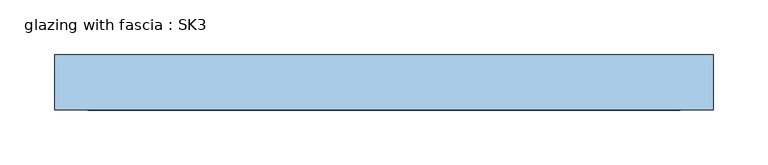
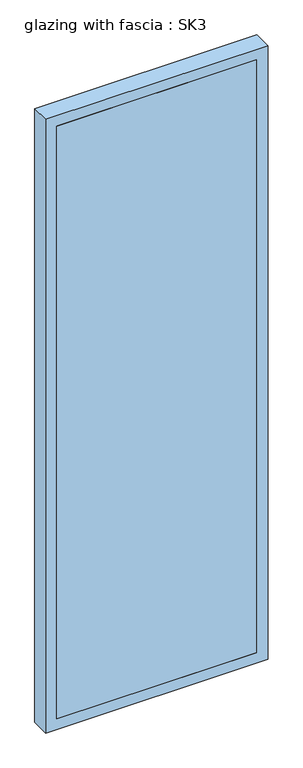
"""IFC4 building model written with IfcOpenShell, lengths in millimetres: window geometry, glazing with fascia : SK3."""

from ifc_helpers import new_model, si_unit, frame, origin, place, context, project, spatial, polyline, outline, extrude, source, transform, mapped, element, save


def glazing_with_fascia_sk3_424235fc(model_context):
    return source(origin(), model_context, "Body", "SweptSolid", [
        extrude(outline(polyline([(270.0, 0.1334055), (-270.0, 0.1334055), (-270.0, 8.1334055), (270.0, 8.1334055), (270.0, 0.1334055)])), frame((0.0, 0.0, 30.0), z_axis=(0.0, 0.0, 1.0), x_axis=(1.0, 0.0, 0.0)), (0.0, 0.0, 1.0), 1690.0),
        extrude(outline(polyline([(1750.0, -300.0), (0.0, -300.0), (0.0, 300.0), (1750.0, 300.0), (1750.0, -300.0)]), holes=[polyline([(1720.0, -270.0), (1720.0, 270.0), (30.0, 270.0), (30.0, -270.0), (1720.0, -270.0)])]), frame((0.0, 0.0, 0.0), z_axis=(0.0, 1.0, 0.0), x_axis=(0.0, 0.0, 1.0)), (0.0, 0.0, 1.0), 50.0),
        extrude(outline(polyline([(-270.0, 48.1334055), (270.0, 48.1334055), (270.0, 8.1334055), (-270.0, 8.1334055), (-270.0, 48.1334055)])), frame((0.0, 0.0, 1580.4), z_axis=(0.0, 0.0, 1.0), x_axis=(1.0, 0.0, 0.0)), (0.0, 0.0, 1.0), 30.0),
        extrude(outline(polyline([(-270.0, 48.1334055), (270.0, 48.1334055), (270.0, 8.1334055), (-270.0, 8.1334055), (-270.0, 48.1334055)])), frame((0.0, 0.0, 1490.4), z_axis=(0.0, 0.0, 1.0), x_axis=(1.0, 0.0, 0.0)), (0.0, 0.0, 1.0), 30.0),
        extrude(outline(polyline([(-270.0, 48.1334055), (270.0, 48.1334055), (270.0, 8.1334055), (-270.0, 8.1334055), (-270.0, 48.1334055)])), frame((0.0, 0.0, 1400.4), z_axis=(0.0, 0.0, 1.0), x_axis=(1.0, 0.0, 0.0)), (0.0, 0.0, 1.0), 30.0),
        extrude(outline(polyline([(-270.0, 48.1334055), (270.0, 48.1334055), (270.0, 8.1334055), (-270.0, 8.1334055), (-270.0, 48.1334055)])), frame((0.0, 0.0, 1310.4), z_axis=(0.0, 0.0, 1.0), x_axis=(1.0, 0.0, 0.0)), (0.0, 0.0, 1.0), 30.0),
        extrude(outline(polyline([(-270.0, 48.1334055), (270.0, 48.1334055), (270.0, 8.1334055), (-270.0, 8.1334055), (-270.0, 48.1334055)])), frame((0.0, 0.0, 1220.4), z_axis=(0.0, 0.0, 1.0), x_axis=(1.0, 0.0, 0.0)), (0.0, 0.0, 1.0), 30.0),
        extrude(outline(polyline([(-270.0, 48.1334055), (270.0, 48.1334055), (270.0, 8.1334055), (-270.0, 8.1334055), (-270.0, 48.1334055)])), frame((0.0, 0.0, 1130.4), z_axis=(0.0, 0.0, 1.0), x_axis=(1.0, 0.0, 0.0)), (0.0, 0.0, 1.0), 30.0),
        extrude(outline(polyline([(-270.0, 48.1334055), (270.0, 48.1334055), (270.0, 8.1334055), (-270.0, 8.1334055), (-270.0, 48.1334055)])), frame((0.0, 0.0, 1040.4), z_axis=(0.0, 0.0, 1.0), x_axis=(1.0, 0.0, 0.0)), (0.0, 0.0, 1.0), 30.0),
        extrude(outline(polyline([(-270.0, 48.1334055), (270.0, 48.1334055), (270.0, 8.1334055), (-270.0, 8.1334055), (-270.0, 48.1334055)])), frame((0.0, 0.0, 950.4), z_axis=(0.0, 0.0, 1.0), x_axis=(1.0, 0.0, 0.0)), (0.0, 0.0, 1.0), 30.0),
        extrude(outline(polyline([(-270.0, 48.1334055), (270.0, 48.1334055), (270.0, 8.1334055), (-270.0, 8.1334055), (-270.0, 48.1334055)])), frame((0.0, 0.0, 860.4), z_axis=(0.0, 0.0, 1.0), x_axis=(1.0, 0.0, 0.0)), (0.0, 0.0, 1.0), 30.0),
        extrude(outline(polyline([(-270.0, 48.1334055), (270.0, 48.1334055), (270.0, 8.1334055), (-270.0, 8.1334055), (-270.0, 48.1334055)])), frame((0.0, 0.0, 770.4), z_axis=(0.0, 0.0, 1.0), x_axis=(1.0, 0.0, 0.0)), (0.0, 0.0, 1.0), 30.0),
        extrude(outline(polyline([(-270.0, 48.1334055), (270.0, 48.1334055), (270.0, 8.1334055), (-270.0, 8.1334055), (-270.0, 48.1334055)])), frame((0.0, 0.0, 680.4), z_axis=(0.0, 0.0, 1.0), x_axis=(1.0, 0.0, 0.0)), (0.0, 0.0, 1.0), 30.0),
        extrude(outline(polyline([(-270.0, 48.1334055), (270.0, 48.1334055), (270.0, 8.1334055), (-270.0, 8.1334055), (-270.0, 48.1334055)])), frame((0.0, 0.0, 590.4), z_axis=(0.0, 0.0, 1.0), x_axis=(1.0, 0.0, 0.0)), (0.0, 0.0, 1.0), 30.0),
        extrude(outline(polyline([(-270.0, 48.1334055), (270.0, 48.1334055), (270.0, 8.1334055), (-270.0, 8.1334055), (-270.0, 48.1334055)])), frame((0.0, 0.0, 500.4), z_axis=(0.0, 0.0, 1.0), x_axis=(1.0, 0.0, 0.0)), (0.0, 0.0, 1.0), 30.0),
        extrude(outline(polyline([(-270.0, 48.1334055), (270.0, 48.1334055), (270.0, 8.1334055), (-270.0, 8.1334055), (-270.0, 48.1334055)])), frame((0.0, 0.0, 410.4), z_axis=(0.0, 0.0, 1.0), x_axis=(1.0, 0.0, 0.0)), (0.0, 0.0, 1.0), 30.0),
        extrude(outline(polyline([(-270.0, 48.1334055), (270.0, 48.1334055), (270.0, 8.1334055), (-270.0, 8.1334055), (-270.0, 48.1334055)])), frame((0.0, 0.0, 320.4), z_axis=(0.0, 0.0, 1.0), x_axis=(1.0, 0.0, 0.0)), (0.0, 0.0, 1.0), 30.0),
        extrude(outline(polyline([(-270.0, 48.1334055), (270.0, 48.1334055), (270.0, 8.1334055), (-270.0, 8.1334055), (-270.0, 48.1334055)])), frame((0.0, 0.0, 230.4), z_axis=(0.0, 0.0, 1.0), x_axis=(1.0, 0.0, 0.0)), (0.0, 0.0, 1.0), 30.0),
        extrude(outline(polyline([(-270.0, 48.1334055), (270.0, 48.1334055), (270.0, 8.1334055), (-270.0, 8.1334055), (-270.0, 48.1334055)])), frame((0.0, 0.0, 140.4), z_axis=(0.0, 0.0, 1.0), x_axis=(1.0, 0.0, 0.0)), (0.0, 0.0, 1.0), 30.0),
        extrude(outline(polyline([(-270.0, 48.1334055), (270.0, 48.1334055), (270.0, 8.1334055), (-270.0, 8.1334055), (-270.0, 48.1334055)])), frame((0.0, 0.0, 50.4), z_axis=(0.0, 0.0, 1.0), x_axis=(1.0, 0.0, 0.0)), (0.0, 0.0, 1.0), 30.0),
        extrude(outline(polyline([(-270.0, 48.1334055), (270.0, 48.1334055), (270.0, 8.1334055), (-270.0, 8.1334055), (-270.0, 48.1334055)])), frame((0.0, 0.0, 1670.0), z_axis=(0.0, 0.0, 1.0), x_axis=(1.0, 0.0, 0.0)), (0.0, 0.0, 1.0), 30.0),
    ])


if __name__ == "__main__":
    model = new_model("IFC4")
    model_context = context("Model", 3, world=origin())
    ifc_project = project(units=[si_unit("LENGTHUNIT", "METRE", prefix="MILLI")], contexts=[model_context])
    site = spatial("IfcSite", under=ifc_project)
    building = spatial("IfcBuilding", under=site)
    placement = place(None, origin())
    glazing_with_fascia_sk3_shape = glazing_with_fascia_sk3_424235fc(model_context)
    element("IfcWindow", 1, ObjectType="glazing with fascia : SK3", at=placement, inside=building, context=model_context, shape_type="MappedRepresentation", body=[
        mapped(glazing_with_fascia_sk3_shape, transform((0.0, 0.0, 0.0), x_axis=(1.0, 0.0, 0.0), y_axis=(0.0, 1.0, 0.0), z_axis=(0.0, 0.0, 1.0))),
    ])
    save(model, "model.ifc")
